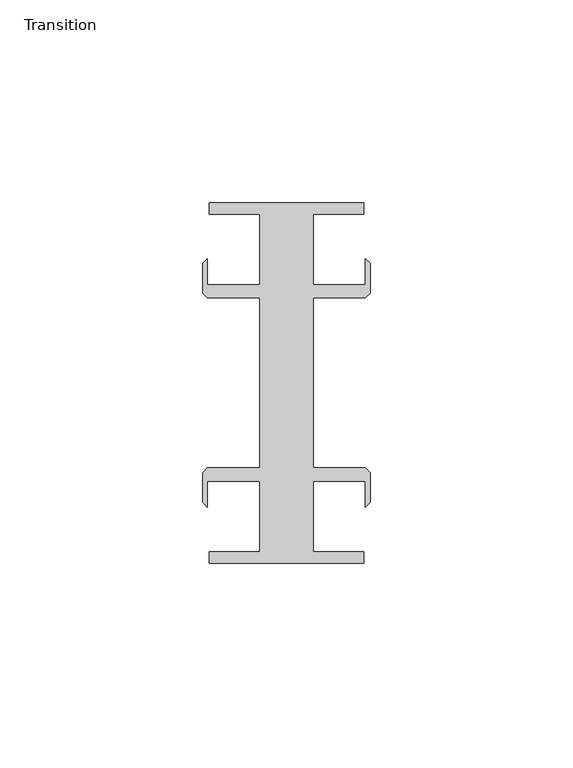
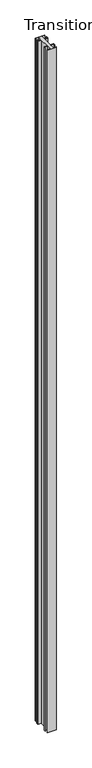
"""IFC4 building model written with IfcOpenShell, lengths in millimetres: furniture geometry, Transition."""

from ifc_helpers import new_model, si_unit, origin, origin_with_axes, place, context, project, spatial, polyline, outline, extrude, source, transform, mapped, element, save


def transition_9cfdbaec(model_context):
    return source(origin(), model_context, "Body", "SweptSolid", [
        extrude(outline(polyline([(36.5771534, 57.1518064), (36.5771534, 39.7518058), (49.4695633, 39.7518058), (49.4695633, 46.1177636), (50.6146531, 44.9726737), (50.6146531, 37.5968955), (49.4695633, 36.4518057), (36.5771534, 36.4518057), (36.5771534, -5.4481956), (49.4695633, -5.4481956), (50.6146531, -6.5932854), (50.6146531, -13.9690637), (49.4695633, -15.1141535), (49.4695633, -8.7481957), (36.5771534, -8.7481957), (36.5771534, -26.1481963), (49.0271531, -26.1481963), (49.0271531, -28.948195), (10.9271531, -28.948195), (10.9271531, -26.1481963), (23.3771529, -26.1481963), (23.3771529, -8.7481957), (10.484743, -8.7481957), (10.484743, -15.1141535), (9.3396531, -13.9690637), (9.3396531, -6.5932854), (10.484743, -5.4481956), (23.3771529, -5.4481956), (23.3771529, 36.4518057), (10.484743, 36.4518057), (9.3396531, 37.5968955), (9.3396531, 44.9726737), (10.484743, 46.1177636), (10.484743, 39.7518058), (23.3771529, 39.7518058), (23.3771529, 57.1518064), (10.9271531, 57.1518064), (10.9271531, 59.951805), (49.0271531, 59.951805), (49.0271531, 57.1518064), (36.5771534, 57.1518064)])), origin_with_axes(), (0.0, 0.0, 1.0), 3048.0),
    ])


if __name__ == "__main__":
    model = new_model("IFC4")
    model_context = context("Model", 3, world=origin())
    ifc_project = project(units=[si_unit("LENGTHUNIT", "METRE", prefix="MILLI")], contexts=[model_context])
    site = spatial("IfcSite", under=ifc_project)
    building = spatial("IfcBuilding", under=site)
    placement = place(None, origin())
    transition_shape = transition_9cfdbaec(model_context)
    element("IfcFurniture", 1, ObjectType="Transition", at=placement, inside=building, context=model_context, shape_type="MappedRepresentation", body=[
        mapped(transition_shape, transform((0.0, 0.0, 0.0), x_axis=(1.0, 0.0, 0.0), y_axis=(0.0, 1.0, 0.0), z_axis=(0.0, 0.0, 1.0))),
    ])
    save(model, "model.ifc")
